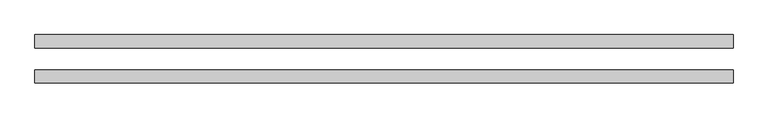
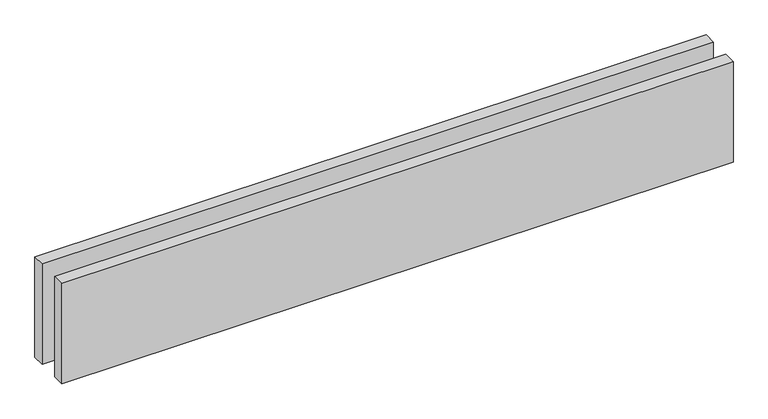
"""IFC4 building model written with IfcOpenShell, lengths in millimetres: proxy geometry."""

from ifc_helpers import new_model, si_unit, origin, origin_with_axes, place, context, project, spatial, polyline, outline, extrude, source, transform, mapped, element, save


def generic_models_feec2858(model_context):
    return source(origin(), model_context, "Body", "SweptSolid", [
        extrude(outline(polyline([(1581.279818, 25.0), (0.0, 25.0), (0.0, 55.0), (1581.279818, 55.0), (1581.279818, 25.0)])), origin_with_axes(), (0.0, 0.0, 1.0), 250.0),
        extrude(outline(polyline([(1581.279818, -55.0), (0.0, -55.0), (0.0, -25.0), (1581.279818, -25.0), (1581.279818, -55.0)])), origin_with_axes(), (0.0, 0.0, 1.0), 250.0),
    ])


if __name__ == "__main__":
    model = new_model("IFC4")
    model_context = context("Model", 3, world=origin())
    ifc_project = project(units=[si_unit("LENGTHUNIT", "METRE", prefix="MILLI")], contexts=[model_context])
    site = spatial("IfcSite", under=ifc_project)
    building = spatial("IfcBuilding", under=site)
    placement = place(None, origin())
    generic_models_shape = generic_models_feec2858(model_context)
    element("IfcBuildingElementProxy", 1, Name="Generic Models", at=placement, inside=building, context=model_context, shape_type="MappedRepresentation", body=[
        mapped(generic_models_shape, transform((0.0, 0.0, 0.0), x_axis=(1.0, 0.0, 0.0), y_axis=(0.0, 1.0, 0.0), z_axis=(0.0, 0.0, 1.0))),
    ])
    save(model, "model.ifc")
